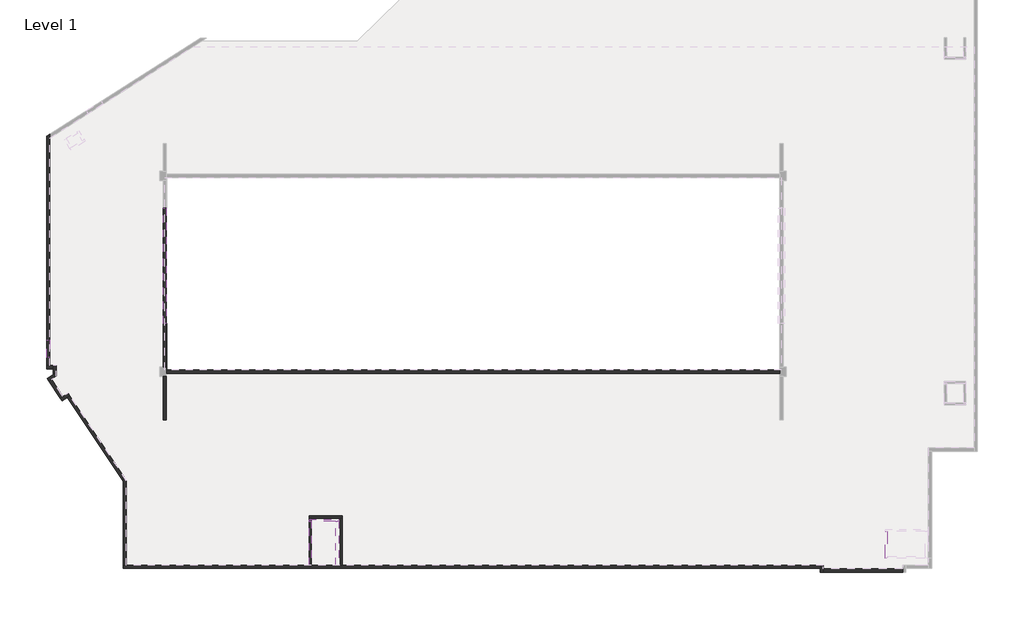
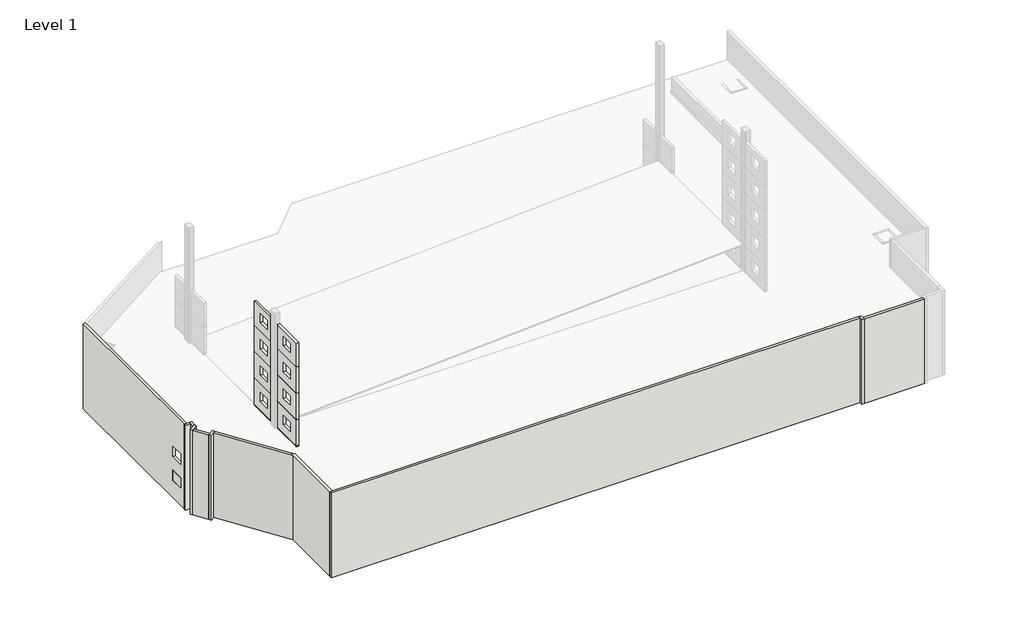
# One storey, part 1 of 4: 28 walls.
"""IFC4 building model written with IfcOpenShell, lengths in millimetres."""

from ifc_helpers import new_model, si_unit, frame, origin, place, context, project, spatial, polyline, outline, extrude, faceted_brep, element, save

model = new_model("IFC4")

# Units and contexts
model_context = context("Model", 3, world=origin())
ifc_project = project(units=[si_unit("LENGTHUNIT", "METRE", prefix="MILLI")], contexts=[model_context])

# Site, building, storey
site = spatial("IfcSite", under=ifc_project)
building = spatial("IfcBuilding", under=site)
storey = spatial("IfcBuildingStorey", under=building, Name="Level 1", Elevation=0.0)

# Walls
placement = place(None, origin())
element("IfcWall", 1, at=placement, inside=storey, context=model_context, shape_type="Brep", body=[
    faceted_brep([(-4560.7215611, -7543.8479013, 406.4), (-4560.7215611, -7543.8479013, 3403.6), (-4560.7215611, -11705.7180269, 3403.6), (-4560.7215611, -11705.7180269, 406.4), (-4865.5215611, -7543.8479013, 3403.6), (-4865.5215611, -7543.8479013, 406.4), (-4865.5215611, -11686.6680269, 406.4), (-4865.5215611, -11686.6680269, 3403.6), (-4579.7715611, -11686.6680269, 3403.6), (-4579.7715611, -11686.6680269, 406.4)], [[[0, 1, 2, 3]], [[4, 5, 6, 7]], [[8, 9, 3, 2]], [[9, 8, 7, 6]], [[5, 0, 3, 9, 6]], [[1, 0, 5, 4]], [[1, 4, 7, 8, 2]]]),
    faceted_brep([(-4560.7215611, -16715.8680269, 20472.4044257), (-4560.7215611, -16715.8680269, 17348.2), (-4560.7215611, -12582.0180269, 17348.2), (-4560.7215611, -12582.0180269, 20472.4044257), (-4560.7215611, -13899.3567542, 19680.3347167), (-4560.7215611, -13899.3567542, 18461.1347167), (-4560.7215611, -15423.3567542, 18461.1347167), (-4560.7215611, -15423.3567542, 19680.3347167), (-4865.5215611, -16715.8680269, 17348.2), (-4865.5215611, -16715.8680269, 20472.4044257), (-4865.5215611, -12601.0680269, 20472.4044257), (-4865.5215611, -12601.0680269, 17348.2), (-4865.5215611, -13899.3567542, 18461.1347167), (-4865.5215611, -13899.3567542, 19680.3347167), (-4865.5215611, -15423.3567542, 19680.3347167), (-4865.5215611, -15423.3567542, 18461.1347167), (-4579.7715611, -12601.0680269, 17348.2), (-4579.7715611, -12601.0680269, 20472.4044257)], [[[0, 1, 2, 3], [4, 5, 6, 7]], [[8, 9, 10, 11], [12, 13, 14, 15]], [[16, 17, 3, 2]], [[17, 16, 11, 10]], [[9, 0, 3, 17, 10]], [[1, 0, 9, 8]], [[1, 8, 11, 16, 2]], [[5, 4, 13, 12]], [[6, 5, 12, 15]], [[7, 6, 15, 14]], [[4, 7, 14, 13]]]),
    faceted_brep([(-4560.7215611, -7543.8479013, 17348.2), (-4560.7215611, -7543.8479013, 20472.4044257), (-4560.7215611, -11705.7180269, 20472.4044257), (-4560.7215611, -11705.7180269, 17348.2), (-4560.7215611, -8864.3792997, 19680.3347167), (-4560.7215611, -8864.3792997, 18461.1347167), (-4560.7215611, -10388.3792997, 18461.1347167), (-4560.7215611, -10388.3792997, 19680.3347167), (-4865.5215611, -7543.8479013, 20472.4044257), (-4865.5215611, -7543.8479013, 17348.2), (-4865.5215611, -11686.6680269, 17348.2), (-4865.5215611, -11686.6680269, 20472.4044257), (-4865.5215611, -8864.3792997, 18461.1347167), (-4865.5215611, -8864.3792997, 19680.3347167), (-4865.5215611, -10388.3792997, 19680.3347167), (-4865.5215611, -10388.3792997, 18461.1347167), (-4579.7715611, -11686.6680269, 20472.4044257), (-4579.7715611, -11686.6680269, 17348.2)], [[[0, 1, 2, 3], [4, 5, 6, 7]], [[8, 9, 10, 11], [12, 13, 14, 15]], [[16, 17, 3, 2]], [[17, 16, 11, 10]], [[1, 8, 11, 16, 2]], [[9, 0, 3, 17, 10]], [[1, 0, 9, 8]], [[5, 4, 13, 12]], [[6, 5, 12, 15]], [[7, 6, 15, 14]], [[4, 7, 14, 13]]]),
    faceted_brep([(-4560.7215611, -16715.8680269, 3403.6), (-4560.7215611, -16715.8680269, 406.4), (-4560.7215611, -12582.0180269, 406.4), (-4560.7215611, -12582.0180269, 3403.6), (-4560.7215611, -13899.3567542, 2738.4535586), (-4560.7215611, -13899.3567542, 1519.2535586), (-4560.7215611, -15423.3567542, 1519.2535586), (-4560.7215611, -15423.3567542, 2738.4535586), (-4865.5215611, -16715.8680269, 406.4), (-4865.5215611, -16715.8680269, 3403.6), (-4865.5215611, -12601.0680269, 3403.6), (-4865.5215611, -12601.0680269, 406.4), (-4865.5215611, -13899.3567542, 1519.2535586), (-4865.5215611, -13899.3567542, 2738.4535586), (-4865.5215611, -15423.3567542, 2738.4535586), (-4865.5215611, -15423.3567542, 1519.2535586), (-4579.7715611, -12601.0680269, 406.4), (-4579.7715611, -12601.0680269, 3403.6)], [[[0, 1, 2, 3], [4, 5, 6, 7]], [[8, 9, 10, 11], [12, 13, 14, 15]], [[16, 17, 3, 2]], [[17, 16, 11, 10]], [[1, 8, 11, 16, 2]], [[9, 0, 3, 17, 10]], [[1, 0, 9, 8]], [[5, 4, 13, 12]], [[6, 5, 12, 15]], [[7, 6, 15, 14]], [[4, 7, 14, 13]]]),
    faceted_brep([(-4560.7215611, -16715.8680269, 17322.8), (-4560.7215611, -16715.8680269, 13868.4), (-4560.7215611, -12582.0180269, 13868.4), (-4560.7215611, -12582.0180269, 17322.8), (-4560.7215611, -13899.3567542, 16200.5347167), (-4560.7215611, -13899.3567542, 14981.3347167), (-4560.7215611, -15423.3567542, 14981.3347167), (-4560.7215611, -15423.3567542, 16200.5347167), (-4865.5215611, -16715.8680269, 13868.4), (-4865.5215611, -16715.8680269, 17322.8), (-4865.5215611, -12601.0680269, 17322.8), (-4865.5215611, -12601.0680269, 13868.4), (-4865.5215611, -13899.3567542, 14981.3347167), (-4865.5215611, -13899.3567542, 16200.5347167), (-4865.5215611, -15423.3567542, 16200.5347167), (-4865.5215611, -15423.3567542, 14981.3347167), (-4579.7715611, -12601.0680269, 13868.4), (-4579.7715611, -12601.0680269, 17322.8)], [[[0, 1, 2, 3], [4, 5, 6, 7]], [[8, 9, 10, 11], [12, 13, 14, 15]], [[16, 17, 3, 2]], [[17, 16, 11, 10]], [[9, 0, 3, 17, 10]], [[1, 0, 9, 8]], [[1, 8, 11, 16, 2]], [[5, 4, 13, 12]], [[6, 5, 12, 15]], [[7, 6, 15, 14]], [[4, 7, 14, 13]]]),
    faceted_brep([(-4560.7215611, -7543.8479013, 13868.4), (-4560.7215611, -7543.8479013, 17322.8), (-4560.7215611, -11705.7180269, 17322.8), (-4560.7215611, -11705.7180269, 13868.4), (-4560.7215611, -8864.3792997, 16200.5347167), (-4560.7215611, -8864.3792997, 14981.3347167), (-4560.7215611, -10388.3792997, 14981.3347167), (-4560.7215611, -10388.3792997, 16200.5347167), (-4865.5215611, -7543.8479013, 17322.8), (-4865.5215611, -7543.8479013, 13868.4), (-4865.5215611, -11686.6680269, 13868.4), (-4865.5215611, -11686.6680269, 17322.8), (-4865.5215611, -8864.3792997, 14981.3347167), (-4865.5215611, -8864.3792997, 16200.5347167), (-4865.5215611, -10388.3792997, 16200.5347167), (-4865.5215611, -10388.3792997, 14981.3347167), (-4579.7715611, -11686.6680269, 17322.8), (-4579.7715611, -11686.6680269, 13868.4)], [[[0, 1, 2, 3], [4, 5, 6, 7]], [[8, 9, 10, 11], [12, 13, 14, 15]], [[16, 17, 3, 2]], [[17, 16, 11, 10]], [[1, 8, 11, 16, 2]], [[9, 0, 3, 17, 10]], [[1, 0, 9, 8]], [[5, 4, 13, 12]], [[6, 5, 12, 15]], [[7, 6, 15, 14]], [[4, 7, 14, 13]]]),
    faceted_brep([(-4560.7215611, -16715.8680269, 13843.0), (-4560.7215611, -16715.8680269, 10388.6), (-4560.7215611, -12582.0180269, 10388.6), (-4560.7215611, -12582.0180269, 13843.0), (-4560.7215611, -13899.3567542, 12720.7347167), (-4560.7215611, -13899.3567542, 11501.5347167), (-4560.7215611, -15423.3567542, 11501.5347167), (-4560.7215611, -15423.3567542, 12720.7347167), (-4865.5215611, -16715.8680269, 10388.6), (-4865.5215611, -16715.8680269, 13843.0), (-4865.5215611, -12601.0680269, 13843.0), (-4865.5215611, -12601.0680269, 10388.6), (-4865.5215611, -13899.3567542, 11501.5347167), (-4865.5215611, -13899.3567542, 12720.7347167), (-4865.5215611, -15423.3567542, 12720.7347167), (-4865.5215611, -15423.3567542, 11501.5347167), (-4579.7715611, -12601.0680269, 10388.6), (-4579.7715611, -12601.0680269, 13843.0)], [[[0, 1, 2, 3], [4, 5, 6, 7]], [[8, 9, 10, 11], [12, 13, 14, 15]], [[16, 17, 3, 2]], [[17, 16, 11, 10]], [[1, 0, 9, 8]], [[1, 8, 11, 16, 2]], [[9, 0, 3, 17, 10]], [[5, 4, 13, 12]], [[6, 5, 12, 15]], [[7, 6, 15, 14]], [[4, 7, 14, 13]]]),
    faceted_brep([(-4560.7215611, -7543.8479013, 10388.6), (-4560.7215611, -7543.8479013, 13843.0), (-4560.7215611, -11705.7180269, 13843.0), (-4560.7215611, -11705.7180269, 10388.6), (-4560.7215611, -8864.3792997, 12720.7347167), (-4560.7215611, -8864.3792997, 11501.5347167), (-4560.7215611, -10388.3792997, 11501.5347167), (-4560.7215611, -10388.3792997, 12720.7347167), (-4865.5215611, -7543.8479013, 13843.0), (-4865.5215611, -7543.8479013, 10388.6), (-4865.5215611, -11686.6680269, 10388.6), (-4865.5215611, -11686.6680269, 13843.0), (-4865.5215611, -8864.3792997, 11501.5347167), (-4865.5215611, -8864.3792997, 12720.7347167), (-4865.5215611, -10388.3792997, 12720.7347167), (-4865.5215611, -10388.3792997, 11501.5347167), (-4579.7715611, -11686.6680269, 13843.0), (-4579.7715611, -11686.6680269, 10388.6)], [[[0, 1, 2, 3], [4, 5, 6, 7]], [[8, 9, 10, 11], [12, 13, 14, 15]], [[16, 17, 3, 2]], [[17, 16, 11, 10]], [[9, 0, 3, 17, 10]], [[1, 0, 9, 8]], [[1, 8, 11, 16, 2]], [[5, 4, 13, 12]], [[6, 5, 12, 15]], [[7, 6, 15, 14]], [[4, 7, 14, 13]]]),
    faceted_brep([(-4560.7215611, -16715.8680269, 10363.2), (-4560.7215611, -16715.8680269, 6908.8), (-4560.7215611, -12582.0180269, 6908.8), (-4560.7215611, -12582.0180269, 10363.2), (-4560.7215611, -13899.3567542, 9240.9347167), (-4560.7215611, -13899.3567542, 8021.7347167), (-4560.7215611, -15423.3567542, 8021.7347167), (-4560.7215611, -15423.3567542, 9240.9347167), (-4865.5215611, -16715.8680269, 6908.8), (-4865.5215611, -16715.8680269, 10363.2), (-4865.5215611, -12601.0680269, 10363.2), (-4865.5215611, -12601.0680269, 6908.8), (-4865.5215611, -13899.3567542, 8021.7347167), (-4865.5215611, -13899.3567542, 9240.9347167), (-4865.5215611, -15423.3567542, 9240.9347167), (-4865.5215611, -15423.3567542, 8021.7347167), (-4579.7715611, -12601.0680269, 6908.8), (-4579.7715611, -12601.0680269, 10363.2)], [[[0, 1, 2, 3], [4, 5, 6, 7]], [[8, 9, 10, 11], [12, 13, 14, 15]], [[16, 17, 3, 2]], [[17, 16, 11, 10]], [[1, 0, 9, 8]], [[1, 8, 11, 16, 2]], [[9, 0, 3, 17, 10]], [[5, 4, 13, 12]], [[6, 5, 12, 15]], [[7, 6, 15, 14]], [[4, 7, 14, 13]]]),
    faceted_brep([(-4560.7215611, -7543.8479013, 6908.8), (-4560.7215611, -7543.8479013, 10363.2), (-4560.7215611, -11705.7180269, 10363.2), (-4560.7215611, -11705.7180269, 6908.8), (-4560.7215611, -8864.3792997, 9240.9347167), (-4560.7215611, -8864.3792997, 8021.7347167), (-4560.7215611, -10388.3792997, 8021.7347167), (-4560.7215611, -10388.3792997, 9240.9347167), (-4865.5215611, -7543.8479013, 10363.2), (-4865.5215611, -7543.8479013, 6908.8), (-4865.5215611, -11686.6680269, 6908.8), (-4865.5215611, -11686.6680269, 10363.2), (-4865.5215611, -8864.3792997, 8021.7347167), (-4865.5215611, -8864.3792997, 9240.9347167), (-4865.5215611, -10388.3792997, 9240.9347167), (-4865.5215611, -10388.3792997, 8021.7347167), (-4579.7715611, -11686.6680269, 10363.2), (-4579.7715611, -11686.6680269, 6908.8)], [[[0, 1, 2, 3], [4, 5, 6, 7]], [[8, 9, 10, 11], [12, 13, 14, 15]], [[16, 17, 3, 2]], [[17, 16, 11, 10]], [[9, 0, 3, 17, 10]], [[1, 0, 9, 8]], [[1, 8, 11, 16, 2]], [[5, 4, 13, 12]], [[6, 5, 12, 15]], [[7, 6, 15, 14]], [[4, 7, 14, 13]]]),
    faceted_brep([(-4560.7215611, -16715.8680269, 6883.4), (-4560.7215611, -16715.8680269, 3429.0), (-4560.7215611, -12582.0180269, 3429.0), (-4560.7215611, -12582.0180269, 6883.4), (-4560.7215611, -13899.3567542, 5761.1347167), (-4560.7215611, -13899.3567542, 4541.9347167), (-4560.7215611, -15423.3567542, 4541.9347167), (-4560.7215611, -15423.3567542, 5761.1347167), (-4865.5215611, -16715.8680269, 3429.0), (-4865.5215611, -16715.8680269, 6883.4), (-4865.5215611, -12601.0680269, 6883.4), (-4865.5215611, -12601.0680269, 3429.0), (-4865.5215611, -13899.3567542, 4541.9347167), (-4865.5215611, -13899.3567542, 5761.1347167), (-4865.5215611, -15423.3567542, 5761.1347167), (-4865.5215611, -15423.3567542, 4541.9347167), (-4579.7715611, -12601.0680269, 3429.0), (-4579.7715611, -12601.0680269, 6883.4)], [[[0, 1, 2, 3], [4, 5, 6, 7]], [[8, 9, 10, 11], [12, 13, 14, 15]], [[16, 17, 3, 2]], [[17, 16, 11, 10]], [[1, 0, 9, 8]], [[1, 8, 11, 16, 2]], [[9, 0, 3, 17, 10]], [[5, 4, 13, 12]], [[6, 5, 12, 15]], [[7, 6, 15, 14]], [[4, 7, 14, 13]]]),
    faceted_brep([(-4560.7215611, -7543.8479013, 3429.0), (-4560.7215611, -7543.8479013, 6883.4), (-4560.7215611, -11705.7180269, 6883.4), (-4560.7215611, -11705.7180269, 3429.0), (-4560.7215611, -8864.3792997, 5761.1347167), (-4560.7215611, -8864.3792997, 4541.9347167), (-4560.7215611, -10388.3792997, 4541.9347167), (-4560.7215611, -10388.3792997, 5761.1347167), (-4865.5215611, -7543.8479013, 6883.4), (-4865.5215611, -7543.8479013, 3429.0), (-4865.5215611, -11686.6680269, 3429.0), (-4865.5215611, -11686.6680269, 6883.4), (-4865.5215611, -8864.3792997, 4541.9347167), (-4865.5215611, -8864.3792997, 5761.1347167), (-4865.5215611, -10388.3792997, 5761.1347167), (-4865.5215611, -10388.3792997, 4541.9347167), (-4579.7715611, -11686.6680269, 6883.4), (-4579.7715611, -11686.6680269, 3429.0)], [[[0, 1, 2, 3], [4, 5, 6, 7]], [[8, 9, 10, 11], [12, 13, 14, 15]], [[16, 17, 3, 2]], [[17, 16, 11, 10]], [[9, 0, 3, 17, 10]], [[1, 8, 11, 16, 2]], [[5, 4, 13, 12]], [[6, 5, 12, 15]], [[7, 6, 15, 14]], [[4, 7, 14, 13]], [[0, 9, 8, 1]]]),
])
element("IfcWall", 2, ObjectType="WPC - 10\" Masonry", at=placement, inside=storey, context=model_context, shape_type="SweptSolid", body=[
    extrude(outline(polyline([(11527.4399585, -30510.7162212), (11527.4399585, -26345.8759915), (11781.4399585, -26345.8759915), (11781.4399585, -30510.7162212), (11527.4399585, -30510.7162212)])), frame((0.0, 0.0, 3657.6), z_axis=(0.0, 0.0, 1.0), x_axis=(1.0, 0.0, 0.0)), (0.0, 0.0, 1.0), 3098.8),
])
element("IfcWall", 3, ObjectType="WPC - 8\" Masonry", at=placement, inside=storey, context=model_context, shape_type="Brep", body=[
    faceted_brep([(11781.4399585, -26142.6759915, 3657.6), (8981.0899585, -26142.6759915, 3657.6), (8981.0899585, -26142.6759915, 6756.4), (11781.4399585, -26142.6759915, 6756.4), (11781.4399585, -26345.8759915, 3657.6), (11781.4399585, -26345.8759915, 6756.4), (11527.4399585, -26345.8759915, 6756.4), (9184.2899585, -26345.8759915, 6756.4), (8981.0899585, -26345.8759915, 6756.4), (8981.0899585, -26345.8759915, 3657.6), (9184.2899585, -26345.8759915, 3657.6), (11527.4399585, -26345.8759915, 3657.6)], [[[0, 1, 2, 3]], [[4, 5, 6, 7, 8, 9, 10, 11]], [[1, 0, 4, 11, 10, 9]], [[3, 2, 8, 7, 6, 5]], [[2, 1, 9, 8]], [[0, 3, 5, 4]]]),
])
element("IfcWall", 4, ObjectType="WPC - 8\" Masonry", at=placement, inside=storey, context=model_context, shape_type="SweptSolid", body=[
    extrude(outline(polyline([(8981.0899585, -30510.7162212), (8981.0899585, -26345.8759915), (9184.2899585, -26345.8759915), (9184.2899585, -30510.7162212), (8981.0899585, -30510.7162212)])), frame((0.0, 0.0, 3657.6), z_axis=(0.0, 0.0, 1.0), x_axis=(1.0, 0.0, 0.0)), (0.0, 0.0, 1.0), 3098.8),
])
element("IfcWall", 5, ObjectType="WPC - 8\" Masonry", at=placement, inside=storey, context=model_context, shape_type="SweptSolid", body=[
    extrude(outline(polyline([(9181.8959662, -26047.4259915), (9181.8959662, -30510.7162212), (8978.6959662, -30510.7162212), (8978.6959662, -26047.4259915), (9181.8959662, -26047.4259915)])), frame((0.0, 0.0, 558.8), z_axis=(0.0, 0.0, 1.0), x_axis=(1.0, 0.0, 0.0)), (0.0, 0.0, 1.0), 3098.8),
])
element("IfcWall", 6, ObjectType="WPC - 8\" Masonry", at=placement, inside=storey, context=model_context, shape_type="SweptSolid", body=[
    extrude(outline(polyline([(11950.4959662, -30510.7162212), (11950.4959662, -26047.4259915), (12153.6959662, -26047.4259915), (12153.6959662, -30510.7162212), (11950.4959662, -30510.7162212)])), frame((0.0, 0.0, 558.8), z_axis=(0.0, 0.0, 1.0), x_axis=(1.0, 0.0, 0.0)), (0.0, 0.0, 1.0), 3098.8),
])
element("IfcWall", 7, ObjectType="WPC - 8\" Masonry", at=placement, inside=storey, context=model_context, shape_type="Brep", body=[
    faceted_brep([(8978.6959662, -26047.4259915, 558.8), (9181.8959662, -26047.4259915, 558.8), (11950.4959662, -26047.4259915, 558.8), (12153.6959662, -26047.4259915, 558.8), (12153.6959662, -26047.4259915, 3657.6), (11950.4959662, -26047.4259915, 3657.6), (9181.8959662, -26047.4259915, 3657.6), (8978.6959662, -26047.4259915, 3657.6), (8978.6959662, -25844.2259915, 558.8), (8978.6959662, -25844.2259915, 3657.6), (12153.6959662, -25844.2259915, 3657.6), (12153.6959662, -25844.2259915, 558.8), (11950.4959662, -25844.2259915, 558.8)], [[[0, 1, 2, 3, 4, 5, 6, 7]], [[8, 9, 10, 11, 12]], [[3, 2, 1, 0, 8, 12, 11]], [[7, 6, 5, 4, 10, 9]], [[4, 3, 11, 10]], [[0, 7, 9, 8]]]),
])
element("IfcWall", 8, ObjectType="WPC - 8\" Masonry", at=placement, inside=storey, context=model_context, shape_type="Brep", body=[
    faceted_brep([(63665.5142118, -27294.4470107, 3657.6), (63665.5142118, -29866.1970107, 3657.6), (63665.5142118, -29866.1970107, 6756.4), (63665.5142118, -27294.4470107, 6756.4), (63868.7142118, -27294.4470107, 3657.6), (63868.7142118, -27294.4470107, 6756.4), (63868.7142118, -29662.9970107, 6756.4), (63868.7142118, -29866.1970107, 6756.4), (63868.7142118, -29866.1970107, 3657.6), (63868.7142118, -29662.9970107, 3657.6)], [[[0, 1, 2, 3]], [[4, 5, 6, 7, 8, 9]], [[1, 0, 4, 9, 8]], [[3, 2, 7, 6, 5]], [[0, 3, 5, 4]], [[2, 1, 8, 7]]]),
])
element("IfcWall", 9, ObjectType="WPC 12\" CIP", at=placement, inside=storey, context=model_context, shape_type="Brep", body=[
    faceted_brep([(-8653.8217678, -30815.5162212, -660.4), (57475.3223628, -30815.5162212, -660.4), (57475.3223628, -30815.5162212, 10541.0), (-8653.8217678, -30815.5162212, 10541.0), (-8653.8217678, -30510.7162212, -660.4), (-8653.8217678, -30510.7162212, 10541.0), (-8349.0217678, -30510.7162212, 10541.0), (57475.3223628, -30510.7162212, 10541.0), (57475.3223628, -30510.7162212, -660.4), (-8349.0217678, -30510.7162212, -660.4)], [[[0, 1, 2, 3]], [[4, 5, 6, 7, 8, 9]], [[1, 0, 4, 9, 8]], [[3, 2, 7, 6, 5]], [[0, 3, 5, 4]], [[2, 1, 8, 7]]]),
])
element("IfcWall", 10, ObjectType="WPC 12\" CIP", at=placement, inside=storey, context=model_context, shape_type="Brep", body=[
    faceted_brep([(-8653.8217678, -22029.1276413, -660.4), (-8653.8217678, -22578.1750785, -660.4), (-8653.8217678, -30510.7162212, -660.4), (-8653.8217678, -30510.7162212, 10541.0), (-8653.8217678, -22578.1750785, 10541.0), (-8653.8217678, -22029.1276413, 10541.0), (-8349.0217678, -22485.8004435, -660.4), (-8349.0217678, -22485.8004435, 10541.0), (-8349.0217678, -30510.7162212, 10541.0), (-8349.0217678, -30510.7162212, -660.4)], [[[0, 1, 2, 3, 4, 5]], [[6, 7, 8, 9]], [[2, 1, 0, 6, 9]], [[5, 4, 3, 8, 7]], [[3, 2, 9, 8]], [[0, 5, 7, 6]]]),
])
element("IfcWall", 11, ObjectType="WPC 12\" CIP", at=placement, inside=storey, context=model_context, shape_type="SweptSolid", body=[
    extrude(outline(polyline([(-8653.8217678, -22578.1750785), (-13977.189506, -14602.3310432), (-13724.5147462, -14431.8587064), (-8653.8217678, -22029.1276413), (-8653.8217678, -22578.1750785)])), frame((0.0, 0.0, -660.4), z_axis=(0.0, 0.0, 1.0), x_axis=(1.0, 0.0, 0.0)), (0.0, 0.0, 1.0), 11201.4),
])
element("IfcWall", 12, ObjectType="WPC 12\" CIP", at=placement, inside=storey, context=model_context, shape_type="Brep", body=[
    faceted_brep([(-14454.1774373, -14924.1409751, -660.4), (-13977.189506, -14602.3310432, -660.4), (-13724.5147462, -14431.8587064, -660.4), (-13724.5147462, -14431.8587064, 10541.0), (-13977.189506, -14602.3310432, 10541.0), (-14454.1774373, -14924.1409751, 10541.0), (-14623.2486169, -14670.5254699, -660.4), (-14623.2486169, -14670.5254699, 10541.0), (-14370.5731276, -14500.052641, 10541.0), (-13893.7245259, -14178.3367108, 10541.0), (-13893.7245259, -14178.3367108, -660.4), (-14370.5731276, -14500.052641, -660.4)], [[[0, 1, 2, 3, 4, 5]], [[6, 7, 8, 9, 10, 11]], [[2, 1, 0, 6, 11, 10]], [[5, 4, 3, 9, 8, 7]], [[3, 2, 10, 9]], [[0, 5, 7, 6]]]),
])
element("IfcWall", 13, ObjectType="WPC 12\" CIP", at=placement, inside=storey, context=model_context, shape_type="SweptSolid", body=[
    extrude(outline(polyline([(-14623.2486169, -14670.5254699), (-15711.0213836, -13038.8101149), (-15457.409766, -12869.741527), (-14370.5731276, -14500.052641), (-14623.2486169, -14670.5254699)])), frame((0.0, 0.0, -660.4), z_axis=(0.0, 0.0, 1.0), x_axis=(1.0, 0.0, 0.0)), (0.0, 0.0, 1.0), 11201.4),
])
element("IfcWall", 14, ObjectType="WPC 12\" CIP", at=placement, inside=storey, context=model_context, shape_type="Brep", body=[
    faceted_brep([(-14990.8776372, -12192.4106938, -660.4), (-15295.6776372, -12395.6036945, -660.4), (-15880.0899716, -12785.1984973, -660.4), (-15880.0899716, -12785.1984973, 10541.0), (-15295.6776372, -12395.6036945, 10541.0), (-14990.8776372, -12192.4106938, 10541.0), (-14990.8776372, -12558.7308209, -660.4), (-14990.8776372, -12558.7308209, 10541.0), (-15457.409766, -12869.741527, 10541.0), (-15711.0213836, -13038.8101149, 10541.0), (-15711.0213836, -13038.8101149, -660.4), (-15457.409766, -12869.741527, -660.4)], [[[0, 1, 2, 3, 4, 5]], [[6, 7, 8, 9, 10, 11]], [[2, 1, 0, 6, 11, 10]], [[5, 4, 3, 9, 8, 7]], [[3, 2, 10, 9]], [[0, 5, 7, 6]]]),
])
element("IfcWall", 15, ObjectType="WPC 12\" CIP", at=placement, inside=storey, context=model_context, shape_type="Brep", body=[
    faceted_brep([(-15295.6776372, -11562.3162212, -660.4), (-15295.6776372, -11867.1162212, -660.4), (-15295.6776372, -12395.6036945, -660.4), (-15295.6776372, -12395.6036945, 10541.0), (-15295.6776372, -11867.1162212, 10541.0), (-15295.6776372, -11562.3162212, 10541.0), (-14990.8776372, -11562.3162212, -660.4), (-14990.8776372, -11562.3162212, 10541.0), (-14990.8776372, -12192.4106938, 10541.0), (-14990.8776372, -12192.4106938, -660.4)], [[[0, 1, 2, 3, 4, 5]], [[6, 7, 8, 9]], [[2, 1, 0, 6, 9]], [[5, 4, 3, 8, 7]], [[3, 2, 9, 8]], [[0, 5, 7, 6]]]),
])
element("IfcWall", 16, ObjectType="WPC 12\" CIP", at=placement, inside=storey, context=model_context, shape_type="Brep", body=[
    faceted_brep([(-15930.6776372, -11867.1162212, -660.4), (-15295.6776372, -11867.1162212, -660.4), (-15295.6776372, -11867.1162212, 10541.0), (-15930.6776372, -11867.1162212, 10541.0), (-15930.6776372, -11562.3162212, -660.4), (-15930.6776372, -11562.3162212, 10541.0), (-15625.8776372, -11562.3162212, 10541.0), (-15295.6776372, -11562.3162212, 10541.0), (-15295.6776372, -11562.3162212, -660.4), (-15625.8776372, -11562.3162212, -660.4)], [[[0, 1, 2, 3]], [[4, 5, 6, 7, 8, 9]], [[1, 0, 4, 9, 8]], [[3, 2, 7, 6, 5]], [[2, 1, 8, 7]], [[0, 3, 5, 4]]]),
])
element("IfcWall", 17, ObjectType="WPC 12\" CIP", at=placement, inside=storey, context=model_context, shape_type="Brep", body=[
    faceted_brep([(-15930.6776372, 10229.1987263, -660.4), (-15930.6776372, -11562.3162212, -660.4), (-15930.6776372, -11562.3162212, 10541.0), (-15930.6776372, 10229.1987263, 10541.0), (-15930.6776372, -9123.9162212, 6121.4), (-15930.6776372, -10800.3162212, 6121.4), (-15930.6776372, -10800.3162212, 4758.1501588), (-15930.6776372, -9123.9162212, 4758.1501588), (-15930.6776372, -9123.9162212, 2988.8498412), (-15930.6776372, -10800.3162212, 2988.8498412), (-15930.6776372, -10800.3162212, 1625.6), (-15930.6776372, -9123.9162212, 1625.6), (-15625.8776372, -11562.3162212, -660.4), (-15625.8776372, 10062.0489227, -660.4), (-15625.8776372, 10423.5273518, -660.4), (-15625.8776372, 10423.5273518, 10541.0), (-15625.8776372, 10062.0489227, 10541.0), (-15625.8776372, -11562.3162212, 10541.0), (-15625.8776372, -10800.3162212, 6121.4), (-15625.8776372, -9123.9162212, 6121.4), (-15625.8776372, -9123.9162212, 4758.1501588), (-15625.8776372, -10800.3162212, 4758.1501588), (-15625.8776372, -10800.3162212, 2988.8498412), (-15625.8776372, -9123.9162212, 2988.8498412), (-15625.8776372, -9123.9162212, 1625.6), (-15625.8776372, -10800.3162212, 1625.6)], [[[0, 1, 2, 3], [4, 5, 6, 7], [8, 9, 10, 11]], [[12, 13, 14, 15, 16, 17], [18, 19, 20, 21], [22, 23, 24, 25]], [[1, 0, 14, 13, 12]], [[3, 2, 17, 16, 15]], [[2, 1, 12, 17]], [[0, 3, 15, 14]], [[4, 19, 18, 5]], [[6, 21, 20, 7]], [[19, 4, 7, 20]], [[5, 18, 21, 6]], [[8, 23, 22, 9]], [[10, 25, 24, 11]], [[23, 8, 11, 24]], [[9, 22, 25, 10]]]),
])
element("IfcWall", 18, ObjectType="WPC 12\" CIP", at=placement, inside=storey, context=model_context, shape_type="SweptSolid", body=[
    extrude(outline(polyline([(65298.5223628, -31171.1162212), (57780.1223628, -31171.1162212), (57780.1223628, -30866.3162212), (65298.5223628, -30866.3162212), (65298.5223628, -31171.1162212)])), frame((0.0, 0.0, -660.4), z_axis=(0.0, 0.0, 1.0), x_axis=(1.0, 0.0, 0.0)), (0.0, 0.0, 1.0), 11201.4),
])
element("IfcWall", 19, ObjectType="WPC 12\" CIP", at=placement, inside=storey, context=model_context, shape_type="Brep", body=[
    faceted_brep([(57475.3223628, -30510.7162212, -660.4), (57475.3223628, -30815.5162212, -660.4), (57475.3223628, -31171.1162212, -660.4), (57475.3223628, -31171.1162212, 10541.0), (57475.3223628, -30815.5162212, 10541.0), (57475.3223628, -30510.7162212, 10541.0), (57780.1223628, -30510.7162212, -660.4), (57780.1223628, -30510.7162212, 10541.0), (57780.1223628, -30866.3162212, 10541.0), (57780.1223628, -31171.1162212, 10541.0), (57780.1223628, -31171.1162212, -660.4), (57780.1223628, -30866.3162212, -660.4)], [[[0, 1, 2, 3, 4, 5]], [[6, 7, 8, 9, 10, 11]], [[2, 1, 0, 6, 11, 10]], [[5, 4, 3, 9, 8, 7]], [[3, 2, 10, 9]], [[0, 5, 7, 6]]]),
])
element("IfcWall", 20, ObjectType="WPC 12\" CIP", at=placement, inside=storey, context=model_context, shape_type="SweptSolid", body=[
    extrude(outline(polyline([(-4865.5215611, -7543.8479013), (-4865.5215611, 3375.5319731), (-4560.7215611, 3375.5319731), (-4560.7215611, -7543.8479013), (-4865.5215611, -7543.8479013)])), frame((0.0, 0.0, 558.8), z_axis=(0.0, 0.0, 1.0), x_axis=(1.0, 0.0, 0.0)), (0.0, 0.0, 1.0), 2946.4),
])
element("IfcWall", 21, ObjectType="WPC 12\" CIP", at=placement, inside=storey, context=model_context, shape_type="SweptSolid", body=[
    extrude(outline(polyline([(-4865.5215611, -7543.8479013), (-4865.5215611, 3375.5319731), (-4560.7215611, 3375.5319731), (-4560.7215611, -7543.8479013), (-4865.5215611, -7543.8479013)])), frame((0.0, 0.0, 3657.6), z_axis=(0.0, 0.0, 1.0), x_axis=(1.0, 0.0, 0.0)), (0.0, 0.0, 1.0), 2946.4),
])
element("IfcWall", 22, ObjectType="WPC 12\" CIP", at=placement, inside=storey, context=model_context, shape_type="SweptSolid", body=[
    extrude(outline(polyline([(-15930.6776372, -10800.3162212), (-15930.6776372, -9123.9162212), (-15625.8776372, -9123.9162212), (-15625.8776372, -10800.3162212), (-15930.6776372, -10800.3162212)])), frame((0.0, 0.0, 1625.6), z_axis=(0.0, 0.0, 1.0), x_axis=(1.0, 0.0, 0.0)), (0.0, 0.0, 1.0), 1363.2498412),
])
element("IfcWall", 23, ObjectType="WPC 14\" CIP Foundation", at=placement, inside=storey, context=model_context, shape_type="SweptSolid", body=[
    extrude(outline(polyline([(53630.6784389, -12321.6680269), (-4535.3215611, -12321.6680269), (-4535.3215611, -11966.0680269), (53630.6784389, -11966.0680269), (53630.6784389, -12321.6680269)])), frame((0.0, 0.0, -609.6), z_axis=(0.0, 0.0, 1.0), x_axis=(1.0, 0.0, 0.0)), (0.0, 0.0, 1.0), 4165.518842),
])
element("IfcWall", 24, ObjectType="WPC 14\" CIP Foundation", at=placement, inside=storey, context=model_context, shape_type="Brep", body=[
    faceted_brep([(53630.6784389, -7543.8479013, -660.4), (53630.6784389, -16743.8881525, -660.4), (53630.6784389, -16743.8881525, 406.4), (53630.6784389, -7543.8479013, 406.4), (53986.2784389, -7543.8479013, -660.4), (53986.2784389, -7543.8479013, 406.4), (53986.2784389, -11661.2680269, 406.4), (53986.2784389, -12626.4680269, 406.4), (53986.2784389, -16743.8881525, 406.4), (53986.2784389, -16743.8881525, -660.4), (53986.2784389, -12626.4680269, -660.4), (53986.2784389, -11661.2680269, -660.4)], [[[0, 1, 2, 3]], [[4, 5, 6, 7, 8, 9, 10, 11]], [[1, 0, 4, 11, 10, 9]], [[2, 1, 9, 8]], [[3, 2, 8, 7, 6, 5]], [[0, 3, 5, 4]]]),
])
element("IfcWall", 25, ObjectType="WPC 14\" CIP Foundation", at=placement, inside=storey, context=model_context, shape_type="Brep", body=[
    faceted_brep([(-4890.9215611, -7543.8479013, -660.4), (-4890.9215611, -11661.2680269, -660.4), (-4890.9215611, -12626.4680269, -660.4), (-4890.9215611, -16743.8881525, -660.4), (-4890.9215611, -16743.8881525, 406.4), (-4890.9215611, -12626.4680269, 406.4), (-4890.9215611, -11661.2680269, 406.4), (-4890.9215611, -7543.8479013, 406.4), (-4535.3215611, -7543.8479013, -660.4), (-4535.3215611, -7543.8479013, 406.4), (-4535.3215611, -16743.8881525, 406.4), (-4535.3215611, -16743.8881525, -660.4)], [[[0, 1, 2, 3, 4, 5, 6, 7]], [[8, 9, 10, 11]], [[3, 2, 1, 0, 8, 11]], [[4, 3, 11, 10]], [[7, 6, 5, 4, 10, 9]], [[0, 7, 9, 8]]]),
])
element("IfcWall", 26, ObjectType="WPC 8\" CIP", at=placement, inside=storey, context=model_context, shape_type="Brep", body=[
    faceted_brep([(11950.4959662, -25844.2259915, -660.4), (11950.4959662, -26047.4259915, -660.4), (11950.4959662, -30510.7162212, -660.4), (11950.4959662, -30510.7162212, 558.8), (11950.4959662, -26047.4259915, 558.8), (11950.4959662, -25844.2259915, 558.8), (12153.6959662, -25844.2259915, -660.4), (12153.6959662, -25844.2259915, 558.8), (12153.6959662, -26047.4259915, 558.8), (12153.6959662, -30510.7162212, 558.8), (12153.6959662, -30510.7162212, -660.4)], [[[0, 1, 2, 3, 4, 5]], [[6, 7, 8, 9, 10]], [[2, 1, 0, 6, 10]], [[5, 4, 3, 9, 8, 7]], [[0, 5, 7, 6]], [[3, 2, 10, 9]]]),
])
element("IfcWall", 27, ObjectType="WPC 8\" CIP", at=placement, inside=storey, context=model_context, shape_type="Brep", body=[
    faceted_brep([(8978.6959662, -26047.4259915, -660.4), (9181.8959662, -26047.4259915, -660.4), (11950.4959662, -26047.4259915, -660.4), (11950.4959662, -26047.4259915, 558.8), (9181.8959662, -26047.4259915, 558.8), (8978.6959662, -26047.4259915, 558.8), (8978.6959662, -25844.2259915, -660.4), (8978.6959662, -25844.2259915, 558.8), (11950.4959662, -25844.2259915, 558.8), (11950.4959662, -25844.2259915, -660.4)], [[[0, 1, 2, 3, 4, 5]], [[6, 7, 8, 9]], [[2, 1, 0, 6, 9]], [[5, 4, 3, 8, 7]], [[3, 2, 9, 8]], [[0, 5, 7, 6]]]),
])
element("IfcWall", 28, ObjectType="WPC 8\" CIP", at=placement, inside=storey, context=model_context, shape_type="SweptSolid", body=[
    extrude(outline(polyline([(9181.8959662, -26047.4259915), (9181.8959662, -30510.7162212), (8978.6959662, -30510.7162212), (8978.6959662, -26047.4259915), (9181.8959662, -26047.4259915)])), frame((0.0, 0.0, -660.4), z_axis=(0.0, 0.0, 1.0), x_axis=(1.0, 0.0, 0.0)), (0.0, 0.0, 1.0), 1219.2),
])

save(model, "model.ifc")
